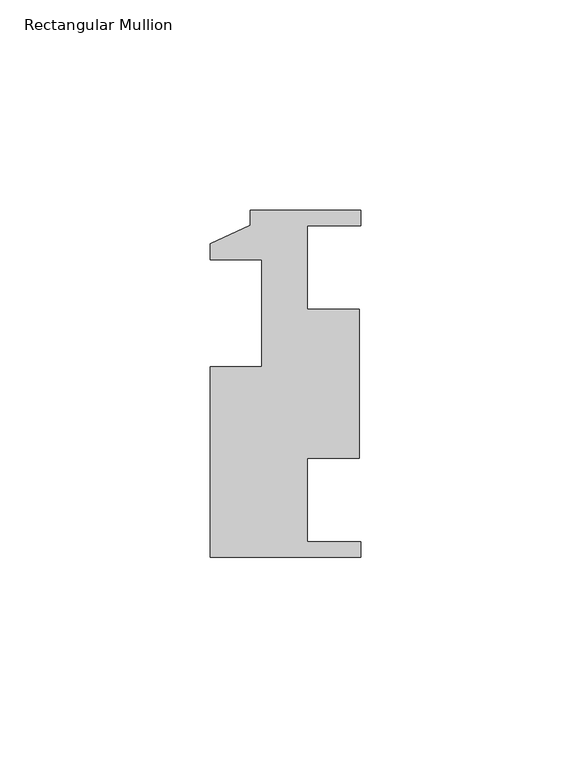
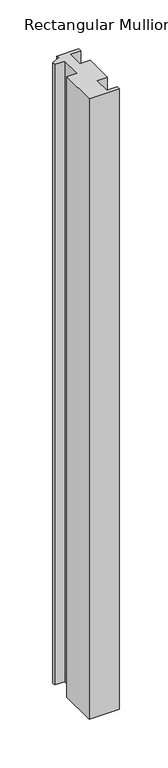
"""IFC4 building model written with IfcOpenShell, lengths in millimetres: member geometry, Rectangular Mullion."""

from ifc_helpers import new_model, si_unit, frame, origin, place, context, project, spatial, polyline, outline, extrude, source, transform, mapped, element, save


def rectangular_mullion_26c2be12(model_context):
    return source(origin(), model_context, "Body", "SweptSolid", [
        extrude(outline(polyline([(0.0, -43.0315666), (-35.7632, -43.0315666), (-35.7632, 2.2820334), (-23.5458, 2.2820334), (-23.5458, 27.6820334), (-35.7632, 27.6820334), (-35.7632, 31.5936334), (-26.2382, 35.9116334), (-26.2382, 39.5184334), (0.0, 39.5184334), (0.0, 35.7846334), (-12.7, 35.7846334), (-12.7, 15.9472334), (-0.3456927, 15.9472334), (-0.3456927, -19.4603666), (-12.7, -19.4603666), (-12.7, -39.2977666), (0.0, -39.2977666), (0.0, -43.0315666)])), frame((0.0, 0.0, -776.8082), z_axis=(0.0, 0.0, 1.0), x_axis=(1.0, 0.0, 0.0)), (0.0, 0.0, 1.0), 776.8082),
    ])


if __name__ == "__main__":
    model = new_model("IFC4")
    model_context = context("Model", 3, world=origin())
    ifc_project = project(units=[si_unit("LENGTHUNIT", "METRE", prefix="MILLI")], contexts=[model_context])
    site = spatial("IfcSite", under=ifc_project)
    building = spatial("IfcBuilding", under=site)
    placement = place(None, origin())
    rectangular_mullion_shape = rectangular_mullion_26c2be12(model_context)
    element("IfcMember", 1, ObjectType="Rectangular Mullion", at=placement, inside=building, context=model_context, shape_type="MappedRepresentation", body=[
        mapped(rectangular_mullion_shape, transform((0.0, 0.0, 0.0), x_axis=(1.0, 0.0, 0.0), y_axis=(0.0, 1.0, 0.0), z_axis=(0.0, 0.0, 1.0))),
    ])
    save(model, "model.ifc")
